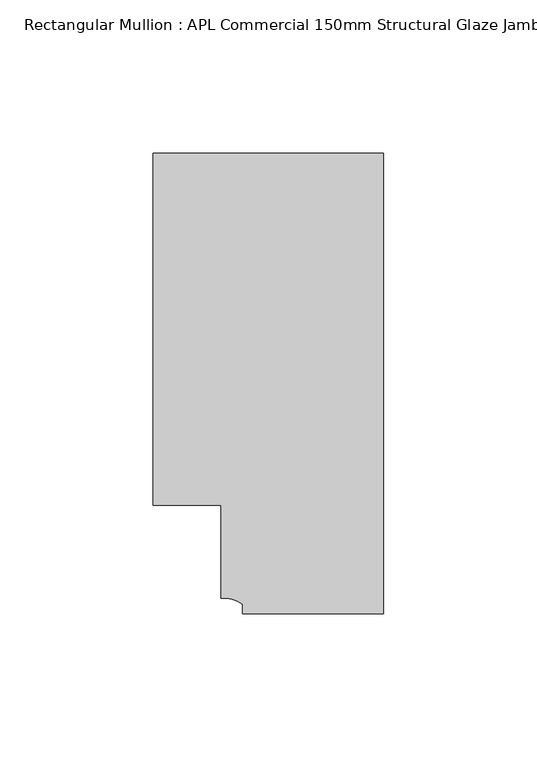
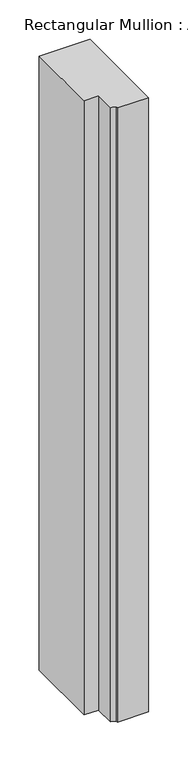
"""IFC4 building model written with IfcOpenShell, lengths in millimetres: member geometry, Rectangular Mullion : APL Commercial 150mm Structural Glaze Jamb Frame (right)."""

from ifc_helpers import new_model, si_unit, point, frame, frame_2d, origin, place, context, project, spatial, polyline, circle_curve, trimmed, segment, composite_curve, outline, extrude, source, transform, mapped, element, save


def rectangular_mullion_apl_commercial_150mm_structural_glaze_e8b189ed(model_context):
    return source(origin(), model_context, "Body", "SweptSolid", [
        extrude(outline(composite_curve([segment(polyline([(0.0, -20.5), (-46.0, -20.5), (-46.0, -17.3125212)]), True, "CONTINUOUS"), segment(trimmed(circle_curve(frame_2d((-52.1098019, -25.7981812)), 10.4563907), [point((-46.0, -17.3125212))], [point((-52.9999391, -15.3797475))], True, "CARTESIAN"), True, "CONTINUOUS"), segment(polyline([(-52.9999391, -15.3797475), (-52.9999391, 15.0000829), (-75.0, 15.0000829), (-75.0, 129.4999988), (0.0, 129.4999988), (0.0, -20.5)]), True, "CONTINUOUS")], self_intersect=False)), frame((0.0, 0.0, -956.8333295), z_axis=(0.0, 0.0, 1.0), x_axis=(1.0, 0.0, 0.0)), (0.0, 0.0, 1.0), 956.8333295),
    ])


if __name__ == "__main__":
    model = new_model("IFC4")
    model_context = context("Model", 3, world=origin())
    ifc_project = project(units=[si_unit("LENGTHUNIT", "METRE", prefix="MILLI")], contexts=[model_context])
    site = spatial("IfcSite", under=ifc_project)
    building = spatial("IfcBuilding", under=site)
    placement = place(None, origin())
    rectangular_mullion_apl_commercial_150mm_structural_glaze_shape = rectangular_mullion_apl_commercial_150mm_structural_glaze_e8b189ed(model_context)
    element("IfcMember", 1, ObjectType="Rectangular Mullion : APL Commercial 150mm Structural Glaze Jamb Frame (right)", at=placement, inside=building, context=model_context, shape_type="MappedRepresentation", body=[
        mapped(rectangular_mullion_apl_commercial_150mm_structural_glaze_shape, transform((0.0, 0.0, 0.0), x_axis=(1.0, 0.0, 0.0), y_axis=(0.0, 1.0, 0.0), z_axis=(0.0, 0.0, 1.0))),
    ])
    save(model, "model.ifc")
